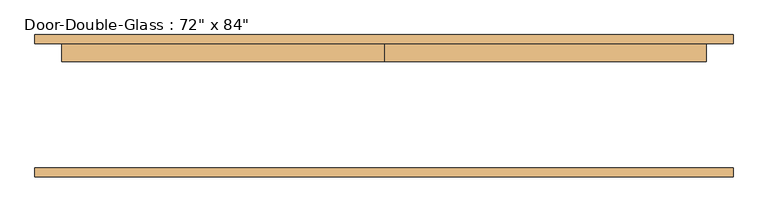
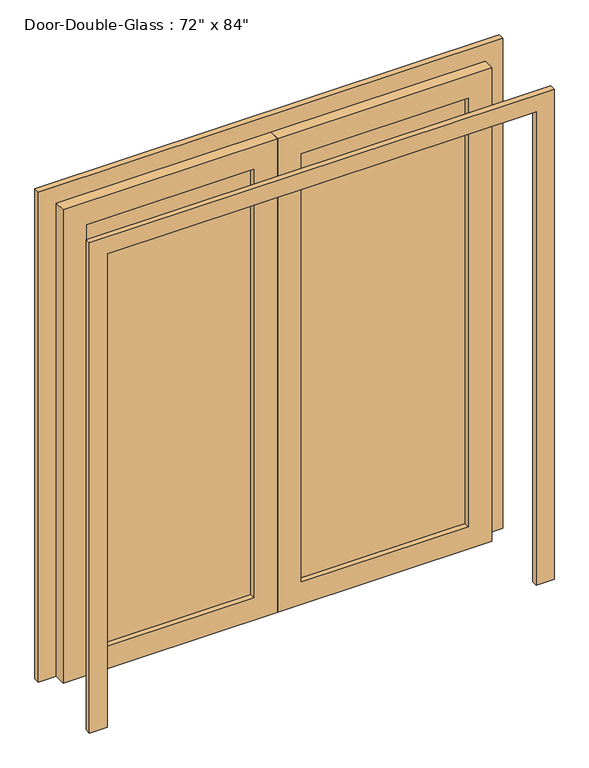
"""IFC4 building model written with IfcOpenShell, lengths in millimetres: door geometry."""

import ifcopenshell
import ifcopenshell.guid

model = None  # the IFC model being written
_history = None  # IfcOwnerHistory: only IFC2X3 demands one
_inside = {}  # id of a spatial element -> (the spatial element, [elements in it])
_under = {}  # id of a project, library or spatial element -> (it, [spatial elements below it])
_declared = {}  # id of a project -> (the project, [libraries it declares])
_typed = {}  # id of a type object -> (the type object, [elements of that type])
_made_of = {}  # id of a material, layer set ... -> (it, [elements and type objects made of it])


def new_model(schema):
    """Start an empty IFC model of exactly this schema.

    Asked for "IFC4X3", IfcOpenShell would pick the latest addendum, in which some entities
    have other attributes; the version numbers below select the first issue.
    IFC2X3 requires an IfcOwnerHistory on every rooted entity: one is made here for all.
    """
    global model, _history
    if schema == "IFC4X3":
        model = ifcopenshell.file(schema_version=(4, 3, 0, 0))
    else:
        model = ifcopenshell.file(schema=schema)
    _inside.clear()
    _under.clear()
    _declared.clear()
    _typed.clear()
    _made_of.clear()
    _history = None
    if model.schema == "IFC2X3":
        org = make("IfcOrganization", Name="unknown")
        user = make(
            "IfcPersonAndOrganization",
            ThePerson=make("IfcPerson", FamilyName="unknown"),
            TheOrganization=org,
        )
        app = make(
            "IfcApplication",
            ApplicationDeveloper=org,
            Version="unknown",
            ApplicationFullName="unknown",
            ApplicationIdentifier="unknown",
        )
        _history = make(
            "IfcOwnerHistory",
            OwningUser=user,
            OwningApplication=app,
            ChangeAction="ADDED",
            CreationDate=0,
        )
    return model


def make(cls, **values):
    """One entity of the class cls with the attributes given. An attribute that is None is left unset."""
    return model.create_entity(
        cls, **{name: value for name, value in values.items() if value is not None}
    )


def rooted(cls, **values):
    """An entity with a GlobalId (a new one), such as an element, a storey or a relation."""
    return make(cls, GlobalId=ifcopenshell.guid.new(), OwnerHistory=_history, **values)


def si_unit(unit_type, name, prefix=None):
    """IfcSIUnit, for example si_unit("LENGTHUNIT", "METRE", prefix="MILLI")."""
    return make("IfcSIUnit", UnitType=unit_type, Prefix=prefix, Name=name)


def assignment(units):
    """IfcUnitAssignment: the units of a project."""
    return None if units is None else make("IfcUnitAssignment", Units=units)


def point(xyz):
    """IfcCartesianPoint."""
    return None if xyz is None else make("IfcCartesianPoint", Coordinates=xyz)


def direction(xyz):
    """IfcDirection."""
    return None if xyz is None else make("IfcDirection", DirectionRatios=xyz)


def frame(location, z_axis=None, x_axis=None):
    """IfcAxis2Placement3D, a coordinate frame: its origin and axes. An axis left out is left unset."""
    return make(
        "IfcAxis2Placement3D",
        Location=point(location),
        Axis=direction(z_axis),
        RefDirection=direction(x_axis),
    )


def origin():
    """The frame at (0, 0, 0) with its axes left unset."""
    return frame((0.0, 0.0, 0.0))


def place(relative_to, where):
    """IfcLocalPlacement: puts the frame where relative to a parent placement (None: the world)."""
    return make(
        "IfcLocalPlacement", PlacementRelTo=relative_to, RelativePlacement=where
    )


def context(
    kind, dimensions, precision=None, world=None, true_north=None, identifier=None
):
    """IfcGeometricRepresentationContext, for example the 3D "Model" context."""
    return make(
        "IfcGeometricRepresentationContext",
        ContextIdentifier=identifier,
        ContextType=kind,
        CoordinateSpaceDimension=dimensions,
        Precision=precision,
        WorldCoordinateSystem=world,
        TrueNorth=true_north,
    )


def project(units=None, contexts=None):
    """IfcProject with its units and contexts."""
    return rooted(
        "IfcProject",
        Name="project",
        RepresentationContexts=contexts,
        UnitsInContext=assignment(units),
    )


def spatial(cls, under=None, at=None, **own):
    """A site, building, storey or space (cls), placed at a placement, below another one or the project."""
    s = rooted(cls, ObjectPlacement=at, **own)
    if under is not None:
        _under.setdefault(under.id(), (under, []))[1].append(s)
    return s


def polyline(points):
    """IfcPolyline through the points."""
    return make("IfcPolyline", Points=[point(p) for p in points])


def outline(outer, holes=None, kind="AREA"):
    """IfcArbitraryClosedProfileDef: a profile drawn as a closed curve; with holes, ...WithVoids."""
    if holes is None:
        return make("IfcArbitraryClosedProfileDef", ProfileType=kind, OuterCurve=outer)
    return make(
        "IfcArbitraryProfileDefWithVoids",
        ProfileType=kind,
        OuterCurve=outer,
        InnerCurves=holes,
    )


def extrude(swept, where, along, depth):
    """IfcExtrudedAreaSolid: the profile swept, set in the frame where, extruded along a direction by depth."""
    return make(
        "IfcExtrudedAreaSolid",
        SweptArea=swept,
        Position=where,
        ExtrudedDirection=direction(along),
        Depth=depth,
    )


def shape(context_of_items, identifier, shape_type, items):
    """IfcShapeRepresentation: the items that make up one representation, for example the "Body"."""
    return make(
        "IfcShapeRepresentation",
        ContextOfItems=context_of_items,
        RepresentationIdentifier=identifier,
        RepresentationType=shape_type,
        Items=items,
    )


def source(mapping_origin, context_of_items, identifier, shape_type, items):
    """IfcRepresentationMap: a shape defined once, which mapped items show again and again."""
    return make(
        "IfcRepresentationMap",
        MappingOrigin=mapping_origin,
        MappedRepresentation=shape(context_of_items, identifier, shape_type, items),
    )


def transform(
    local_origin,
    x_axis=None,
    y_axis=None,
    z_axis=None,
    scale=None,
    scale2=None,
    scale3=None,
    uniform=True,
):
    """IfcCartesianTransformationOperator3D, or its non-uniform kind. x_axis, y_axis, z_axis: its Axis1, 2, 3."""
    if uniform:
        return make(
            "IfcCartesianTransformationOperator3D",
            Axis1=direction(x_axis),
            Axis2=direction(y_axis),
            LocalOrigin=point(local_origin),
            Scale=scale,
            Axis3=direction(z_axis),
        )
    return make(
        "IfcCartesianTransformationOperator3DnonUniform",
        Axis1=direction(x_axis),
        Axis2=direction(y_axis),
        LocalOrigin=point(local_origin),
        Scale=scale,
        Axis3=direction(z_axis),
        Scale2=scale2,
        Scale3=scale3,
    )


def mapped(mapping_source, mapping_target):
    """IfcMappedItem: shows the shape of a source again, moved by a transform."""
    return make(
        "IfcMappedItem", MappingSource=mapping_source, MappingTarget=mapping_target
    )


def made_of(thing, what):
    """Note that an element or type object is made of a material, layer set ...; save() writes the relation."""
    if what is not None:
        _made_of.setdefault(what.id(), (what, []))[1].append(thing)
    return thing


def element(
    cls,
    number,
    at=None,
    inside=None,
    cuts=None,
    type_object=None,
    material=None,
    context=None,
    identifier="Body",
    shape_type=None,
    held_by="IfcProductDefinitionShape",
    body=None,
    shapes=None,
    **own,
):
    """One element of the class cls, such as IfcWall. Its Tag is "e" and its number.

    at: its placement. inside: the storey or other place that contains it. cuts: it is an
    opening in that element (IfcRelVoidsElement). A single representation is given by context,
    identifier, shape_type and body (its items); several are given by shapes. held_by: the class
    of the entity that holds the representations. save() writes the other relations.
    """
    e = rooted(cls, Tag="e%d" % number, ObjectPlacement=at, **own)
    if body is not None:
        shapes = [shape(context, identifier, shape_type, body)]
    if shapes is not None:
        e.Representation = make(held_by, Representations=shapes)
    if inside is not None:
        _inside.setdefault(inside.id(), (inside, []))[1].append(e)
    if cuts is not None:
        rooted(
            "IfcRelVoidsElement", RelatingBuildingElement=cuts, RelatedOpeningElement=e
        )
    if type_object is not None:
        _typed.setdefault(type_object.id(), (type_object, []))[1].append(e)
    return made_of(e, material)


def aggregate(whole, parts):
    """IfcRelAggregates: a whole, such as a stair, and the parts it consists of."""
    return rooted("IfcRelAggregates", RelatingObject=whole, RelatedObjects=parts)


def save(model, path):
    """Write the relations noted so far, then the file.

    IfcRelAggregates (storeys below a building ...), IfcRelContainedInSpatialStructure (elements
    in a storey), IfcRelDefinesByType, IfcRelAssociatesMaterial and IfcRelDeclares: one each for
    every whole, place, type object, material and project.
    """
    for whole, parts in _under.values():
        aggregate(whole, parts)
    for where, things in _inside.values():
        rooted(
            "IfcRelContainedInSpatialStructure",
            RelatedElements=things,
            RelatingStructure=where,
        )
    for kind, things in _typed.values():
        rooted("IfcRelDefinesByType", RelatedObjects=things, RelatingType=kind)
    for what, things in _made_of.values():
        rooted("IfcRelAssociatesMaterial", RelatedObjects=things, RelatingMaterial=what)
    for by, libraries in _declared.values():
        rooted("IfcRelDeclares", RelatingContext=by, RelatedDefinitions=libraries)
    model.write(path)


def door_9e30bd7d(model_context):
    return source(origin(), model_context, "Body", "SweptSolid", [
        extrude(outline(polyline([(2133.6, -914.4), (0.0, -914.4), (0.0, 0.0), (2133.6, 0.0), (2133.6, -914.4)]), holes=[polyline([(2032.0, -812.8), (2032.0, -101.6), (101.6, -101.6), (101.6, -812.8), (2032.0, -812.8)])]), frame((0.0, 127.79375, 0.0), z_axis=(0.0, 1.0, 0.0), x_axis=(0.0, 0.0, 1.0)), (0.0, 0.0, 1.0), 50.8),
        extrude(outline(polyline([(2133.6, 914.4), (2133.6, 0.0), (0.0, 0.0), (0.0, 914.4), (2133.6, 914.4)]), holes=[polyline([(2032.0, 812.8), (101.6, 812.8), (101.6, 101.6), (2032.0, 101.6), (2032.0, 812.8)])]), frame((0.0, 127.79375, 0.0), z_axis=(0.0, 1.0, 0.0), x_axis=(0.0, 0.0, 1.0)), (0.0, 0.0, 1.0), 50.8),
        extrude(outline(polyline([(101.6, 156.36875), (812.8, 156.36875), (812.8, 150.01875), (101.6, 150.01875), (101.6, 156.36875)])), frame((0.0, 0.0, 101.6), z_axis=(0.0, 0.0, 1.0), x_axis=(1.0, 0.0, 0.0)), (0.0, 0.0, 1.0), 1930.4),
        extrude(outline(polyline([(-812.8, 156.36875), (-101.6, 156.36875), (-101.6, 150.01875), (-812.8, 150.01875), (-812.8, 156.36875)])), frame((0.0, 0.0, 101.6), z_axis=(0.0, 0.0, 1.0), x_axis=(1.0, 0.0, 0.0)), (0.0, 0.0, 1.0), 1930.4),
        extrude(outline(polyline([(0.0, 990.6), (2209.8, 990.6), (2209.8, -990.6), (0.0, -990.6), (0.0, -914.4), (2133.6, -914.4), (2133.6, 914.4), (0.0, 914.4), (0.0, 990.6)])), frame((0.0, 178.59375, 0.0), z_axis=(0.0, 1.0, 0.0), x_axis=(0.0, 0.0, 1.0)), (0.0, 0.0, 1.0), 25.4),
        extrude(outline(polyline([(0.0, 990.6), (2209.8, 990.6), (2209.8, -990.6), (0.0, -990.6), (0.0, -914.4), (2133.6, -914.4), (2133.6, 914.4), (0.0, 914.4), (0.0, 990.6)])), frame((0.0, -199.23125, 0.0), z_axis=(0.0, 1.0, 0.0), x_axis=(0.0, 0.0, 1.0)), (0.0, 0.0, 1.0), 25.4),
    ])


if __name__ == "__main__":
    model = new_model("IFC4")
    model_context = context("Model", 3, world=origin())
    ifc_project = project(units=[si_unit("LENGTHUNIT", "METRE", prefix="MILLI")], contexts=[model_context])
    site = spatial("IfcSite", under=ifc_project)
    building = spatial("IfcBuilding", under=site)
    placement = place(None, origin())
    door_shape = door_9e30bd7d(model_context)
    element("IfcDoor", 1, ObjectType="Door-Double-Glass : 72\" x 84\"", at=placement, inside=building, context=model_context, shape_type="MappedRepresentation", body=[
        mapped(door_shape, transform((0.0, 0.0, 0.0), x_axis=(1.0, 0.0, 0.0), y_axis=(0.0, 1.0, 0.0), z_axis=(0.0, 0.0, 1.0))),
    ])
    save(model, "model.ifc")
